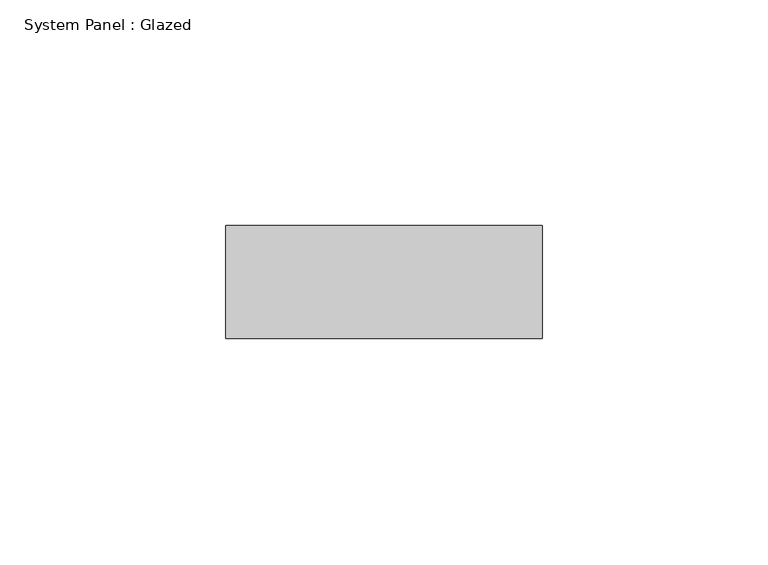
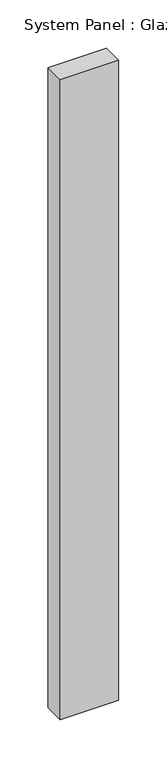
"""IFC4 building model written with IfcOpenShell, lengths in millimetres: plate geometry, System Panel : Glazed."""

from ifc_helpers import new_model, si_unit, origin, origin_with_axes, place, context, project, spatial, polyline, outline, extrude, source, transform, mapped, element, save


def system_panel_glazed_ee06e76c(model_context):
    return source(origin(), model_context, "Body", "SweptSolid", [
        extrude(outline(polyline([(35.0, 24.5), (-35.0, 24.5), (-35.0, 49.5), (35.0, 49.5), (35.0, 24.5)])), origin_with_axes(), (0.0, 0.0, 1.0), 810.0),
    ])


if __name__ == "__main__":
    model = new_model("IFC4")
    model_context = context("Model", 3, world=origin())
    ifc_project = project(units=[si_unit("LENGTHUNIT", "METRE", prefix="MILLI")], contexts=[model_context])
    site = spatial("IfcSite", under=ifc_project)
    building = spatial("IfcBuilding", under=site)
    placement = place(None, origin())
    system_panel_glazed_shape = system_panel_glazed_ee06e76c(model_context)
    element("IfcPlate", 1, ObjectType="System Panel : Glazed", at=placement, inside=building, context=model_context, shape_type="MappedRepresentation", body=[
        mapped(system_panel_glazed_shape, transform((0.0, 0.0, 0.0), x_axis=(1.0, 0.0, 0.0), y_axis=(0.0, 1.0, 0.0), z_axis=(0.0, 0.0, 1.0))),
    ])
    save(model, "model.ifc")
